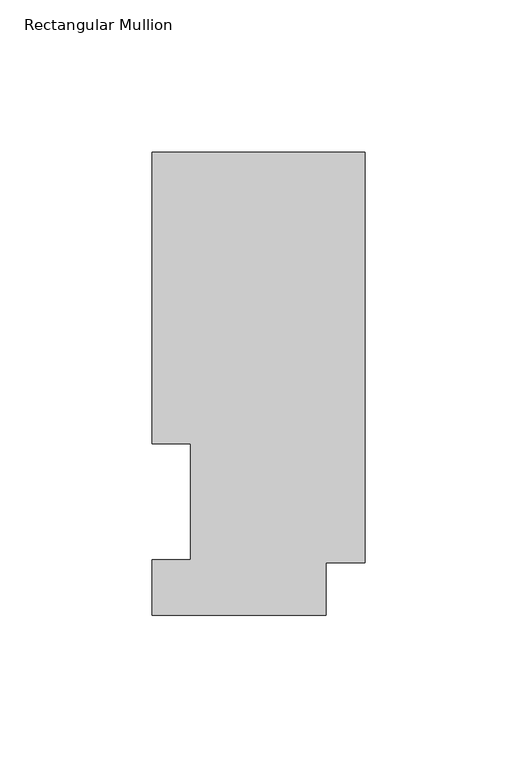
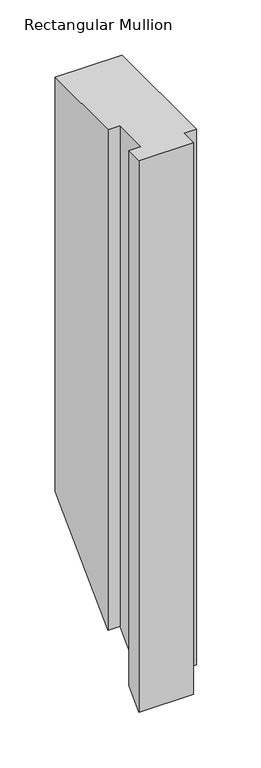
"""IFC4 building model written with IfcOpenShell, lengths in millimetres: member geometry, Rectangular Mullion."""

from ifc_helpers import new_model, si_unit, origin, place, context, project, spatial, faceted_brep, source, transform, mapped, element, save


def rectangular_mullion_eb17f492(model_context):
    return source(origin(), model_context, "Body", "Brep", [
        faceted_brep([(0.0, 151.98725, 0.0), (-69.85, 151.98725, 0.0), (-69.85, 56.35625, 0.0), (-57.15, 56.35625, 0.0), (-57.15, 18.25625, 0.0), (-69.85, 18.25625, 0.0), (-69.85, -0.03175, 0.0), (-12.7, -0.03175, 0.0), (-12.7, 17.2502496, 0.0), (0.0, 17.2502496, 0.0), (0.0, 151.98725, -457.61275), (-69.85, 151.98725, -457.61275), (-69.85, 56.35625, -553.24375), (-57.15, 56.35625, -553.24375), (-57.15, 18.25625, -591.34375), (-69.85, 18.25625, -591.34375), (-69.85, -0.03175, -609.63175), (-12.7, -0.03175, -609.63175), (-12.7, 17.2502496, -592.3497504), (0.0, 17.2502496, -592.3497504)], [[[0, 1, 2, 3, 4, 5, 6, 7, 8, 9]], [[1, 0, 10, 11]], [[2, 1, 11, 12]], [[3, 2, 12, 13]], [[4, 3, 13, 14]], [[5, 4, 14, 15]], [[6, 5, 15, 16]], [[7, 6, 16, 17]], [[8, 7, 17, 18]], [[9, 8, 18, 19]], [[0, 9, 19, 10]], [[10, 19, 18, 17, 16, 15, 14, 13, 12, 11]]]),
    ])


if __name__ == "__main__":
    model = new_model("IFC4")
    model_context = context("Model", 3, world=origin())
    ifc_project = project(units=[si_unit("LENGTHUNIT", "METRE", prefix="MILLI")], contexts=[model_context])
    site = spatial("IfcSite", under=ifc_project)
    building = spatial("IfcBuilding", under=site)
    placement = place(None, origin())
    rectangular_mullion_shape = rectangular_mullion_eb17f492(model_context)
    element("IfcMember", 1, ObjectType="Rectangular Mullion", at=placement, inside=building, context=model_context, shape_type="MappedRepresentation", body=[
        mapped(rectangular_mullion_shape, transform((0.0, 0.0, 0.0), x_axis=(1.0, 0.0, 0.0), y_axis=(0.0, 1.0, 0.0), z_axis=(0.0, 0.0, 1.0))),
    ])
    save(model, "model.ifc")
